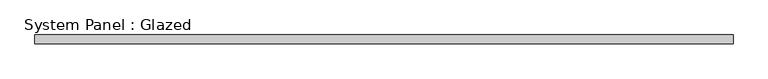
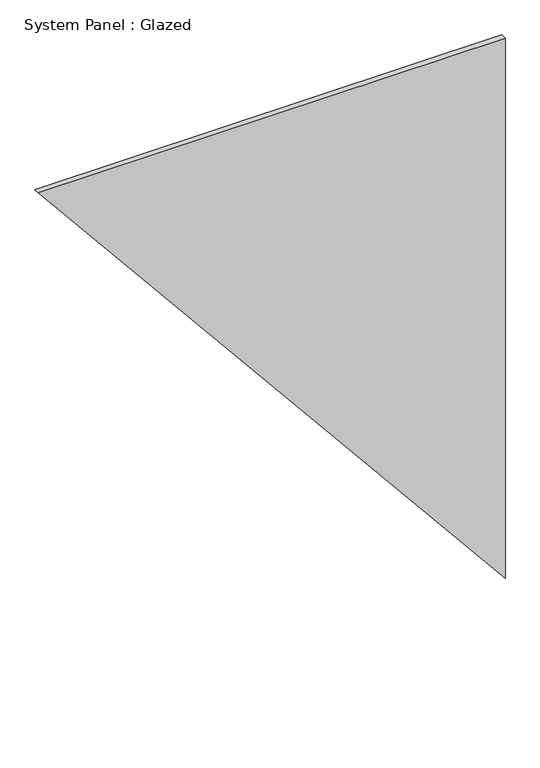
"""IFC4 building model written with IfcOpenShell, lengths in millimetres: plate geometry, System Panel : Glazed."""

from ifc_helpers import new_model, si_unit, frame, origin, place, context, project, spatial, polyline, outline, extrude, source, transform, mapped, element, save


def system_panel_glazed_63556185(model_context):
    return source(origin(), model_context, "Body", "SweptSolid", [
        extrude(outline(polyline([(3522.499649, -1441.1067914), (0.0, 1441.1067914), (3522.499649, 1441.1067914), (3522.499649, -1441.1067914)])), frame((0.0, -18.0, 0.0), z_axis=(0.0, 1.0, 0.0), x_axis=(0.0, 0.0, 1.0)), (0.0, 0.0, 1.0), 36.0),
    ])


if __name__ == "__main__":
    model = new_model("IFC4")
    model_context = context("Model", 3, world=origin())
    ifc_project = project(units=[si_unit("LENGTHUNIT", "METRE", prefix="MILLI")], contexts=[model_context])
    site = spatial("IfcSite", under=ifc_project)
    building = spatial("IfcBuilding", under=site)
    placement = place(None, origin())
    system_panel_glazed_shape = system_panel_glazed_63556185(model_context)
    element("IfcPlate", 1, ObjectType="System Panel : Glazed", at=placement, inside=building, context=model_context, shape_type="MappedRepresentation", body=[
        mapped(system_panel_glazed_shape, transform((0.0, 0.0, 0.0), x_axis=(1.0, 0.0, 0.0), y_axis=(0.0, 1.0, 0.0), z_axis=(0.0, 0.0, 1.0))),
    ])
    save(model, "model.ifc")
